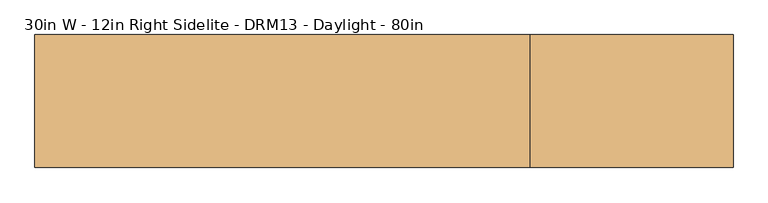
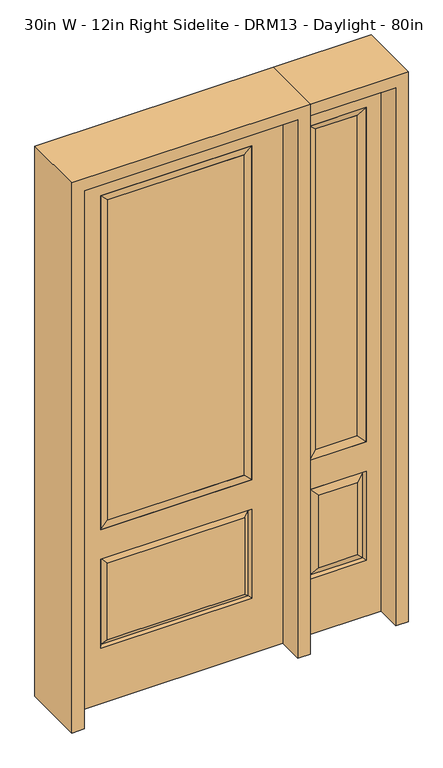
"""IFC4 building model written with IfcOpenShell, lengths in millimetres: door geometry, 30in W - 12in Right Sidelite - DRM13 - Daylight - 80in."""

from ifc_helpers import new_model, si_unit, frame, origin, place, context, project, spatial, polyline, outline, extrude, faceted_brep, source, transform, mapped, element, save


def door_30in_w_12in_right_sidelite_drm13_daylight_80in_5507f22b(model_context):
    return source(origin(), model_context, "Body", "SolidModel", [
        faceted_brep([(425.45, -22.225, 0.0), (730.25, -22.225, 0.0), (730.25, -22.225, 2032.0), (425.45, -22.225, 2032.0), (678.18, -22.225, 1919.224), (678.18, -22.225, 657.098), (477.52, -22.225, 657.098), (477.52, -22.225, 1919.224), (678.18, -22.225, 209.55), (477.52, -22.225, 209.55), (477.52, -22.225, 546.1), (678.18, -22.225, 546.1), (509.2351001, -22.225, 241.2651001), (646.4648999, -22.225, 241.2651001), (646.4648999, -22.225, 514.3848999), (509.2351001, -22.225, 514.3848999), (425.45, 22.225, 0.0), (425.45, 22.225, 2032.0), (730.25, 22.225, 2032.0), (730.25, 22.225, 0.0), (678.18, 22.225, 1919.224), (477.52, 22.225, 1919.224), (477.52, 22.225, 657.098), (678.18, 22.225, 657.098), (477.52, 22.225, 209.55), (678.18, 22.225, 209.55), (678.18, 22.225, 546.1), (477.52, 22.225, 546.1), (646.4648999, 22.225, 241.2651001), (509.2351001, 22.225, 241.2651001), (509.2351001, 22.225, 514.3848999), (646.4648999, 22.225, 514.3848999), (671.0711499, 12.7912373, 216.6588501), (484.6288501, 12.7912373, 216.6588501), (484.6288501, 12.7912373, 538.9911499), (671.0711499, 12.7912373, 538.9911499), (484.6288501, -12.7912373, 216.6588501), (671.0711499, -12.7912373, 216.6588501), (484.6288501, -12.7912373, 538.9911499), (671.0711499, -12.7912373, 538.9911499)], [[[0, 1, 2, 3], [4, 5, 6, 7], [8, 9, 10, 11]], [[12, 13, 14, 15]], [[16, 17, 18, 19], [20, 21, 22, 23], [24, 25, 26, 27]], [[28, 29, 30, 31]], [[1, 0, 16, 19]], [[2, 1, 19, 18]], [[3, 2, 18, 17]], [[0, 3, 17, 16]], [[5, 4, 20, 23]], [[6, 5, 23, 22]], [[7, 6, 22, 21]], [[4, 7, 21, 20]], [[32, 33, 29, 28]], [[33, 32, 25, 24]], [[29, 33, 34, 30]], [[33, 24, 27, 34]], [[30, 34, 35, 31]], [[34, 27, 26, 35]], [[32, 28, 31, 35]], [[25, 32, 35, 26]], [[12, 36, 37, 13]], [[37, 36, 9, 8]], [[36, 12, 15, 38]], [[9, 36, 38, 10]], [[38, 15, 14, 39]], [[10, 38, 39, 11]], [[13, 37, 39, 14]], [[37, 8, 11, 39]]]),
        faceted_brep([(477.52, 22.225, 1919.224), (477.52, -22.225, 1919.224), (678.18, -22.225, 1919.224), (678.18, 22.225, 1919.224), (502.92, 12.7, 1893.824), (652.78, 12.7, 1893.824), (502.92, -12.7, 1893.824), (652.78, -12.7, 1893.824), (678.18, -22.225, 657.098), (678.18, 22.225, 657.098), (652.78, 12.7, 682.498), (652.78, -12.7, 682.498), (477.52, -22.225, 657.098), (477.52, 22.225, 657.098), (502.92, 12.7, 682.498), (502.92, -12.7, 682.498)], [[[0, 1, 2, 3]], [[4, 0, 3, 5]], [[6, 4, 5, 7]], [[1, 6, 7, 2]], [[3, 2, 8, 9]], [[5, 3, 9, 10]], [[7, 5, 10, 11]], [[2, 7, 11, 8]], [[9, 8, 12, 13]], [[10, 9, 13, 14]], [[11, 10, 14, 15]], [[8, 11, 15, 12]], [[13, 12, 1, 0]], [[14, 13, 0, 4]], [[15, 14, 4, 6]], [[12, 15, 6, 1]]]),
        extrude(outline(polyline([(652.78, -12.7), (502.92, -12.7), (502.92, 12.7), (652.78, 12.7), (652.78, -12.7)])), frame((0.0, 0.0, 682.498), z_axis=(0.0, 0.0, 1.0), x_axis=(1.0, 0.0, 0.0)), (0.0, 0.0, 1.0), 1211.326),
        faceted_brep([(-262.7661499, -12.7912373, 216.6588501), (262.7661499, -12.7912373, 216.6588501), (245.26875, -22.225, 234.15625), (-245.26875, -22.225, 234.15625), (-269.875, -22.225, 209.55), (269.875, -22.225, 209.55), (-262.7661499, -12.7912373, 538.9911499), (-269.875, -22.225, 546.1), (245.26875, -22.225, 521.49375), (-245.26875, -22.225, 521.49375), (381.0, -22.225, 2032.0), (-381.0, -22.225, 2032.0), (-381.0, -22.225, 0.0), (381.0, -22.225, 0.0), (269.875, -22.225, 546.1), (269.875, -22.225, 1917.7), (269.875, -22.225, 657.098), (-269.875, -22.225, 657.098), (-269.875, -22.225, 1917.7), (262.7661499, -12.7912373, 538.9911499), (-381.0, 22.225, 2032.0), (-381.0, 22.225, 0.0), (381.0, 22.225, 0.0), (381.0, 22.225, 2032.0), (269.875, 22.225, 1917.7), (269.875, 22.225, 657.098), (-269.875, 22.225, 657.098), (-269.875, 22.225, 1917.7), (-269.875, 22.225, 209.55), (269.875, 22.225, 209.55), (269.875, 22.225, 546.1), (-269.875, 22.225, 546.1), (245.26875, 22.225, 234.15625), (-245.26875, 22.225, 234.15625), (-245.26875, 22.225, 521.49375), (245.26875, 22.225, 521.49375), (-262.7661499, 12.7912373, 216.6588501), (262.7661499, 12.7912373, 216.6588501), (262.7661499, 12.7912373, 538.9911499), (-262.7661499, 12.7912373, 538.9911499)], [[[0, 1, 2, 3]], [[1, 0, 4, 5]], [[4, 0, 6, 7]], [[3, 2, 8, 9]], [[10, 11, 12, 13], [5, 4, 7, 14], [15, 16, 17, 18]], [[1, 5, 14, 19]], [[2, 1, 19, 8]], [[0, 3, 9, 6]], [[7, 6, 19, 14]], [[6, 9, 8, 19]], [[12, 11, 20, 21]], [[13, 12, 21, 22]], [[10, 13, 22, 23]], [[16, 15, 24, 25]], [[17, 16, 25, 26]], [[18, 17, 26, 27]], [[23, 22, 21, 20], [28, 29, 30, 31], [24, 27, 26, 25]], [[32, 33, 34, 35]], [[28, 36, 37, 29]], [[29, 37, 38, 30]], [[39, 31, 30, 38]], [[36, 28, 31, 39]], [[37, 36, 33, 32]], [[33, 36, 39, 34]], [[34, 39, 38, 35]], [[37, 32, 35, 38]], [[11, 10, 23, 20]], [[15, 18, 27, 24]]]),
        faceted_brep([(-269.875, -22.225, 1917.7), (-269.875, 22.225, 1917.7), (-269.875, 22.225, 657.098), (-269.875, -22.225, 657.098), (269.875, 22.225, 657.098), (269.875, -22.225, 657.098), (-244.475, 5.08, 682.498), (244.475, 5.08, 682.498), (269.875, 22.225, 1917.7), (269.875, -22.225, 1917.7), (-244.475, -20.32, 682.498), (244.475, -20.32, 682.498), (-244.475, -20.32, 1892.3), (244.475, -20.32, 1892.3), (-244.475, 5.08, 1892.3), (244.475, 5.08, 1892.3)], [[[0, 1, 2, 3]], [[3, 2, 4, 5]], [[2, 6, 7, 4]], [[5, 4, 8, 9]], [[10, 3, 5, 11]], [[12, 0, 3, 10]], [[11, 5, 9, 13]], [[6, 10, 11, 7]], [[14, 12, 10, 6]], [[7, 11, 13, 15]], [[1, 14, 6, 2]], [[4, 7, 15, 8]], [[9, 8, 1, 0]], [[13, 9, 0, 12]], [[15, 13, 12, 14]], [[8, 15, 14, 1]]]),
        extrude(outline(polyline([(244.475, -20.32), (-244.475, -20.32), (-244.475, 5.08), (244.475, 5.08), (244.475, -20.32)])), frame((0.0, 0.0, 682.498), z_axis=(0.0, 0.0, 1.0), x_axis=(1.0, 0.0, 0.0)), (0.0, 0.0, 1.0), 1209.802),
        extrude(outline(polyline([(2076.45, -425.45), (0.0, -425.45), (0.0, -381.0), (2032.0, -381.0), (2032.0, 381.0), (0.0, 381.0), (0.0, 425.45), (2076.45, 425.45), (2076.45, -425.45)])), frame((0.0, -114.3, 0.0), z_axis=(0.0, 1.0, 0.0), x_axis=(0.0, 0.0, 1.0)), (0.0, 0.0, 1.0), 228.6),
        extrude(outline(polyline([(0.0, 730.25), (0.0, 774.7), (2076.45, 774.7), (2076.45, 425.45), (2032.0, 425.45), (2032.0, 730.25), (0.0, 730.25)])), frame((0.0, -114.3, 0.0), z_axis=(0.0, 1.0, 0.0), x_axis=(0.0, 0.0, 1.0)), (0.0, 0.0, 1.0), 228.6),
    ])


if __name__ == "__main__":
    model = new_model("IFC4")
    model_context = context("Model", 3, world=origin())
    ifc_project = project(units=[si_unit("LENGTHUNIT", "METRE", prefix="MILLI")], contexts=[model_context])
    site = spatial("IfcSite", under=ifc_project)
    building = spatial("IfcBuilding", under=site)
    placement = place(None, origin())
    door_30in_w_12in_right_sidelite_drm13_daylight_80in_shape = door_30in_w_12in_right_sidelite_drm13_daylight_80in_5507f22b(model_context)
    element("IfcDoor", 1, ObjectType="30in W - 12in Right Sidelite - DRM13 - Daylight - 80in", at=placement, inside=building, context=model_context, shape_type="MappedRepresentation", body=[
        mapped(door_30in_w_12in_right_sidelite_drm13_daylight_80in_shape, transform((0.0, 0.0, 0.0), x_axis=(1.0, 0.0, 0.0), y_axis=(0.0, 1.0, 0.0), z_axis=(0.0, 0.0, 1.0))),
    ])
    save(model, "model.ifc")
